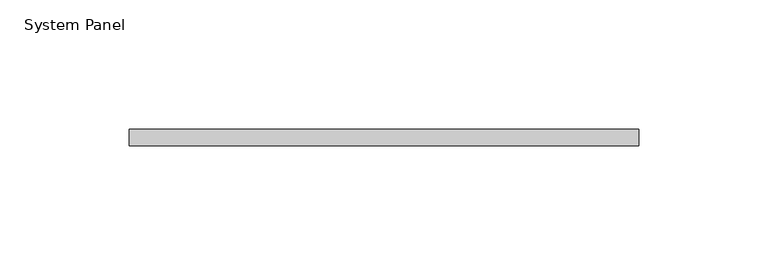
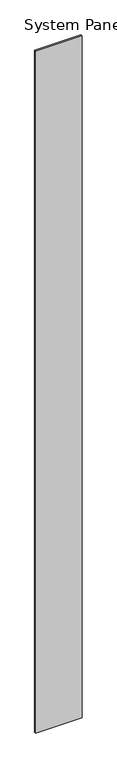
"""IFC4 building model written with IfcOpenShell, lengths in millimetres: plate geometry, System Panel."""

from ifc_helpers import new_model, si_unit, origin, origin_with_axes, place, context, project, spatial, polyline, outline, extrude, source, transform, mapped, element, save


def system_panel_8cf22eb9(model_context):
    return source(origin(), model_context, "Body", "SweptSolid", [
        extrude(outline(polyline([(98.425, -6.35), (-98.425, -6.35), (-98.425, 0.0), (98.425, 0.0), (98.425, -6.35)])), origin_with_axes(), (0.0, 0.0, 1.0), 3048.0),
    ])


if __name__ == "__main__":
    model = new_model("IFC4")
    model_context = context("Model", 3, world=origin())
    ifc_project = project(units=[si_unit("LENGTHUNIT", "METRE", prefix="MILLI")], contexts=[model_context])
    site = spatial("IfcSite", under=ifc_project)
    building = spatial("IfcBuilding", under=site)
    placement = place(None, origin())
    system_panel_shape = system_panel_8cf22eb9(model_context)
    element("IfcPlate", 1, ObjectType="System Panel", at=placement, inside=building, context=model_context, shape_type="MappedRepresentation", body=[
        mapped(system_panel_shape, transform((0.0, 0.0, 0.0), x_axis=(1.0, 0.0, 0.0), y_axis=(0.0, 1.0, 0.0), z_axis=(0.0, 0.0, 1.0))),
    ])
    save(model, "model.ifc")
